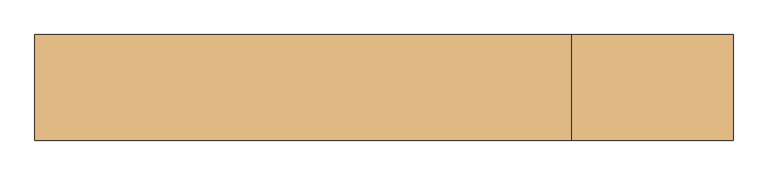
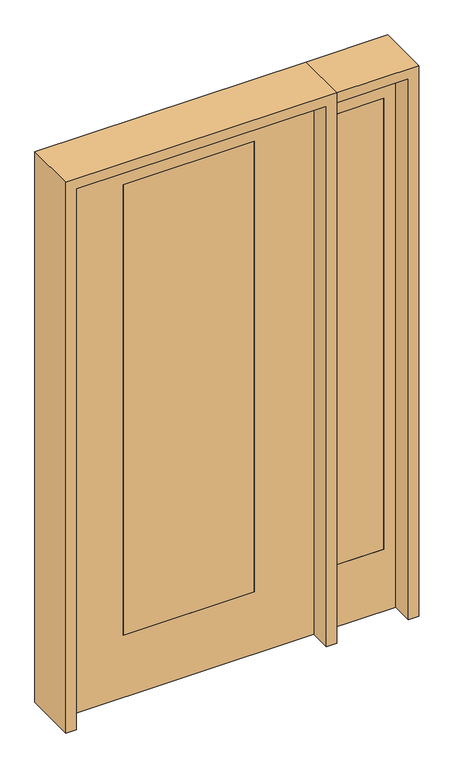
"""IFC4 building model written with IfcOpenShell, lengths in millimetres: door geometry."""

import ifcopenshell
import ifcopenshell.guid

model = None  # the IFC model being written
_history = None  # IfcOwnerHistory: only IFC2X3 demands one
_inside = {}  # id of a spatial element -> (the spatial element, [elements in it])
_under = {}  # id of a project, library or spatial element -> (it, [spatial elements below it])
_declared = {}  # id of a project -> (the project, [libraries it declares])
_typed = {}  # id of a type object -> (the type object, [elements of that type])
_made_of = {}  # id of a material, layer set ... -> (it, [elements and type objects made of it])


def new_model(schema):
    """Start an empty IFC model of exactly this schema.

    Asked for "IFC4X3", IfcOpenShell would pick the latest addendum, in which some entities
    have other attributes; the version numbers below select the first issue.
    IFC2X3 requires an IfcOwnerHistory on every rooted entity: one is made here for all.
    """
    global model, _history
    if schema == "IFC4X3":
        model = ifcopenshell.file(schema_version=(4, 3, 0, 0))
    else:
        model = ifcopenshell.file(schema=schema)
    _inside.clear()
    _under.clear()
    _declared.clear()
    _typed.clear()
    _made_of.clear()
    _history = None
    if model.schema == "IFC2X3":
        org = make("IfcOrganization", Name="unknown")
        user = make(
            "IfcPersonAndOrganization",
            ThePerson=make("IfcPerson", FamilyName="unknown"),
            TheOrganization=org,
        )
        app = make(
            "IfcApplication",
            ApplicationDeveloper=org,
            Version="unknown",
            ApplicationFullName="unknown",
            ApplicationIdentifier="unknown",
        )
        _history = make(
            "IfcOwnerHistory",
            OwningUser=user,
            OwningApplication=app,
            ChangeAction="ADDED",
            CreationDate=0,
        )
    return model


def make(cls, **values):
    """One entity of the class cls with the attributes given. An attribute that is None is left unset."""
    return model.create_entity(
        cls, **{name: value for name, value in values.items() if value is not None}
    )


def rooted(cls, **values):
    """An entity with a GlobalId (a new one), such as an element, a storey or a relation."""
    return make(cls, GlobalId=ifcopenshell.guid.new(), OwnerHistory=_history, **values)


def si_unit(unit_type, name, prefix=None):
    """IfcSIUnit, for example si_unit("LENGTHUNIT", "METRE", prefix="MILLI")."""
    return make("IfcSIUnit", UnitType=unit_type, Prefix=prefix, Name=name)


def assignment(units):
    """IfcUnitAssignment: the units of a project."""
    return None if units is None else make("IfcUnitAssignment", Units=units)


def point(xyz):
    """IfcCartesianPoint."""
    return None if xyz is None else make("IfcCartesianPoint", Coordinates=xyz)


def direction(xyz):
    """IfcDirection."""
    return None if xyz is None else make("IfcDirection", DirectionRatios=xyz)


def frame(location, z_axis=None, x_axis=None):
    """IfcAxis2Placement3D, a coordinate frame: its origin and axes. An axis left out is left unset."""
    return make(
        "IfcAxis2Placement3D",
        Location=point(location),
        Axis=direction(z_axis),
        RefDirection=direction(x_axis),
    )


def origin():
    """The frame at (0, 0, 0) with its axes left unset."""
    return frame((0.0, 0.0, 0.0))


def place(relative_to, where):
    """IfcLocalPlacement: puts the frame where relative to a parent placement (None: the world)."""
    return make(
        "IfcLocalPlacement", PlacementRelTo=relative_to, RelativePlacement=where
    )


def context(
    kind, dimensions, precision=None, world=None, true_north=None, identifier=None
):
    """IfcGeometricRepresentationContext, for example the 3D "Model" context."""
    return make(
        "IfcGeometricRepresentationContext",
        ContextIdentifier=identifier,
        ContextType=kind,
        CoordinateSpaceDimension=dimensions,
        Precision=precision,
        WorldCoordinateSystem=world,
        TrueNorth=true_north,
    )


def project(units=None, contexts=None):
    """IfcProject with its units and contexts."""
    return rooted(
        "IfcProject",
        Name="project",
        RepresentationContexts=contexts,
        UnitsInContext=assignment(units),
    )


def spatial(cls, under=None, at=None, **own):
    """A site, building, storey or space (cls), placed at a placement, below another one or the project."""
    s = rooted(cls, ObjectPlacement=at, **own)
    if under is not None:
        _under.setdefault(under.id(), (under, []))[1].append(s)
    return s


def polyline(points):
    """IfcPolyline through the points."""
    return make("IfcPolyline", Points=[point(p) for p in points])


def outline(outer, holes=None, kind="AREA"):
    """IfcArbitraryClosedProfileDef: a profile drawn as a closed curve; with holes, ...WithVoids."""
    if holes is None:
        return make("IfcArbitraryClosedProfileDef", ProfileType=kind, OuterCurve=outer)
    return make(
        "IfcArbitraryProfileDefWithVoids",
        ProfileType=kind,
        OuterCurve=outer,
        InnerCurves=holes,
    )


def extrude(swept, where, along, depth):
    """IfcExtrudedAreaSolid: the profile swept, set in the frame where, extruded along a direction by depth."""
    return make(
        "IfcExtrudedAreaSolid",
        SweptArea=swept,
        Position=where,
        ExtrudedDirection=direction(along),
        Depth=depth,
    )


def shape(context_of_items, identifier, shape_type, items):
    """IfcShapeRepresentation: the items that make up one representation, for example the "Body"."""
    return make(
        "IfcShapeRepresentation",
        ContextOfItems=context_of_items,
        RepresentationIdentifier=identifier,
        RepresentationType=shape_type,
        Items=items,
    )


def source(mapping_origin, context_of_items, identifier, shape_type, items):
    """IfcRepresentationMap: a shape defined once, which mapped items show again and again."""
    return make(
        "IfcRepresentationMap",
        MappingOrigin=mapping_origin,
        MappedRepresentation=shape(context_of_items, identifier, shape_type, items),
    )


def transform(
    local_origin,
    x_axis=None,
    y_axis=None,
    z_axis=None,
    scale=None,
    scale2=None,
    scale3=None,
    uniform=True,
):
    """IfcCartesianTransformationOperator3D, or its non-uniform kind. x_axis, y_axis, z_axis: its Axis1, 2, 3."""
    if uniform:
        return make(
            "IfcCartesianTransformationOperator3D",
            Axis1=direction(x_axis),
            Axis2=direction(y_axis),
            LocalOrigin=point(local_origin),
            Scale=scale,
            Axis3=direction(z_axis),
        )
    return make(
        "IfcCartesianTransformationOperator3DnonUniform",
        Axis1=direction(x_axis),
        Axis2=direction(y_axis),
        LocalOrigin=point(local_origin),
        Scale=scale,
        Axis3=direction(z_axis),
        Scale2=scale2,
        Scale3=scale3,
    )


def mapped(mapping_source, mapping_target):
    """IfcMappedItem: shows the shape of a source again, moved by a transform."""
    return make(
        "IfcMappedItem", MappingSource=mapping_source, MappingTarget=mapping_target
    )


def made_of(thing, what):
    """Note that an element or type object is made of a material, layer set ...; save() writes the relation."""
    if what is not None:
        _made_of.setdefault(what.id(), (what, []))[1].append(thing)
    return thing


def element(
    cls,
    number,
    at=None,
    inside=None,
    cuts=None,
    type_object=None,
    material=None,
    context=None,
    identifier="Body",
    shape_type=None,
    held_by="IfcProductDefinitionShape",
    body=None,
    shapes=None,
    **own,
):
    """One element of the class cls, such as IfcWall. Its Tag is "e" and its number.

    at: its placement. inside: the storey or other place that contains it. cuts: it is an
    opening in that element (IfcRelVoidsElement). A single representation is given by context,
    identifier, shape_type and body (its items); several are given by shapes. held_by: the class
    of the entity that holds the representations. save() writes the other relations.
    """
    e = rooted(cls, Tag="e%d" % number, ObjectPlacement=at, **own)
    if body is not None:
        shapes = [shape(context, identifier, shape_type, body)]
    if shapes is not None:
        e.Representation = make(held_by, Representations=shapes)
    if inside is not None:
        _inside.setdefault(inside.id(), (inside, []))[1].append(e)
    if cuts is not None:
        rooted(
            "IfcRelVoidsElement", RelatingBuildingElement=cuts, RelatedOpeningElement=e
        )
    if type_object is not None:
        _typed.setdefault(type_object.id(), (type_object, []))[1].append(e)
    return made_of(e, material)


def aggregate(whole, parts):
    """IfcRelAggregates: a whole, such as a stair, and the parts it consists of."""
    return rooted("IfcRelAggregates", RelatingObject=whole, RelatedObjects=parts)


def save(model, path):
    """Write the relations noted so far, then the file.

    IfcRelAggregates (storeys below a building ...), IfcRelContainedInSpatialStructure (elements
    in a storey), IfcRelDefinesByType, IfcRelAssociatesMaterial and IfcRelDeclares: one each for
    every whole, place, type object, material and project.
    """
    for whole, parts in _under.values():
        aggregate(whole, parts)
    for where, things in _inside.values():
        rooted(
            "IfcRelContainedInSpatialStructure",
            RelatedElements=things,
            RelatingStructure=where,
        )
    for kind, things in _typed.values():
        rooted("IfcRelDefinesByType", RelatedObjects=things, RelatingType=kind)
    for what, things in _made_of.values():
        rooted("IfcRelAssociatesMaterial", RelatedObjects=things, RelatingMaterial=what)
    for by, libraries in _declared.values():
        rooted("IfcRelDeclares", RelatingContext=by, RelatedDefinitions=libraries)
    model.write(path)


def door_e4f9df28(model_context):
    return source(origin(), model_context, "Body", "SweptSolid", [
        extrude(outline(polyline([(628.65, -20.6375), (628.65, 20.6375), (831.85, 20.6375), (831.85, -20.6375), (628.65, -20.6375)])), frame((0.0, 0.0, 279.4), z_axis=(0.0, 0.0, 1.0), x_axis=(1.0, 0.0, 0.0)), (0.0, 0.0, 1.0), 2032.0),
        extrude(outline(polyline([(0.0, 882.65), (2438.4, 882.65), (2438.4, 577.85), (0.0, 577.85), (0.0, 882.65)]), holes=[polyline([(2311.4, 628.65), (2311.4, 831.85), (279.4, 831.85), (279.4, 628.65), (2311.4, 628.65)])]), frame((0.0, -20.6375, 0.0), z_axis=(0.0, 1.0, 0.0), x_axis=(0.0, 0.0, 1.0)), (0.0, 0.0, 1.0), 41.275),
        extrude(outline(polyline([(2438.4, 533.4), (2438.4, -533.4), (0.0, -533.4), (0.0, 533.4), (2438.4, 533.4)]), holes=[polyline([(279.4, 279.4), (279.4, -279.4), (2311.4, -279.4), (2311.4, 279.4), (279.4, 279.4)])]), frame((0.0, -20.6375, 0.0), z_axis=(0.0, 1.0, 0.0), x_axis=(0.0, 0.0, 1.0)), (0.0, 0.0, 1.0), 41.275),
        extrude(outline(polyline([(279.4, -20.6375), (-279.4, -20.6375), (-279.4, 20.6375), (279.4, 20.6375), (279.4, -20.6375)])), frame((0.0, 0.0, 279.4), z_axis=(0.0, 0.0, 1.0), x_axis=(1.0, 0.0, 0.0)), (0.0, 0.0, 1.0), 2032.0),
        extrude(outline(polyline([(2482.85, -577.85), (0.0, -577.85), (0.0, -533.4), (2438.4, -533.4), (2438.4, 533.4), (0.0, 533.4), (0.0, 577.85), (2482.85, 577.85), (2482.85, -577.85)])), frame((0.0, -114.3, 0.0), z_axis=(0.0, 1.0, 0.0), x_axis=(0.0, 0.0, 1.0)), (0.0, 0.0, 1.0), 228.6),
        extrude(outline(polyline([(0.0, 882.65), (0.0, 927.1), (2482.85, 927.1), (2482.85, 577.85), (2438.4, 577.85), (2438.4, 882.65), (0.0, 882.65)])), frame((0.0, -114.3, 0.0), z_axis=(0.0, 1.0, 0.0), x_axis=(0.0, 0.0, 1.0)), (0.0, 0.0, 1.0), 228.6),
    ])


if __name__ == "__main__":
    model = new_model("IFC4")
    model_context = context("Model", 3, world=origin())
    ifc_project = project(units=[si_unit("LENGTHUNIT", "METRE", prefix="MILLI")], contexts=[model_context])
    site = spatial("IfcSite", under=ifc_project)
    building = spatial("IfcBuilding", under=site)
    placement = place(None, origin())
    door_shape = door_e4f9df28(model_context)
    element("IfcDoor", 1, at=placement, inside=building, context=model_context, shape_type="MappedRepresentation", body=[
        mapped(door_shape, transform((0.0, 0.0, 0.0), x_axis=(1.0, 0.0, 0.0), y_axis=(0.0, 1.0, 0.0), z_axis=(0.0, 0.0, 1.0))),
    ])
    save(model, "model.ifc")
